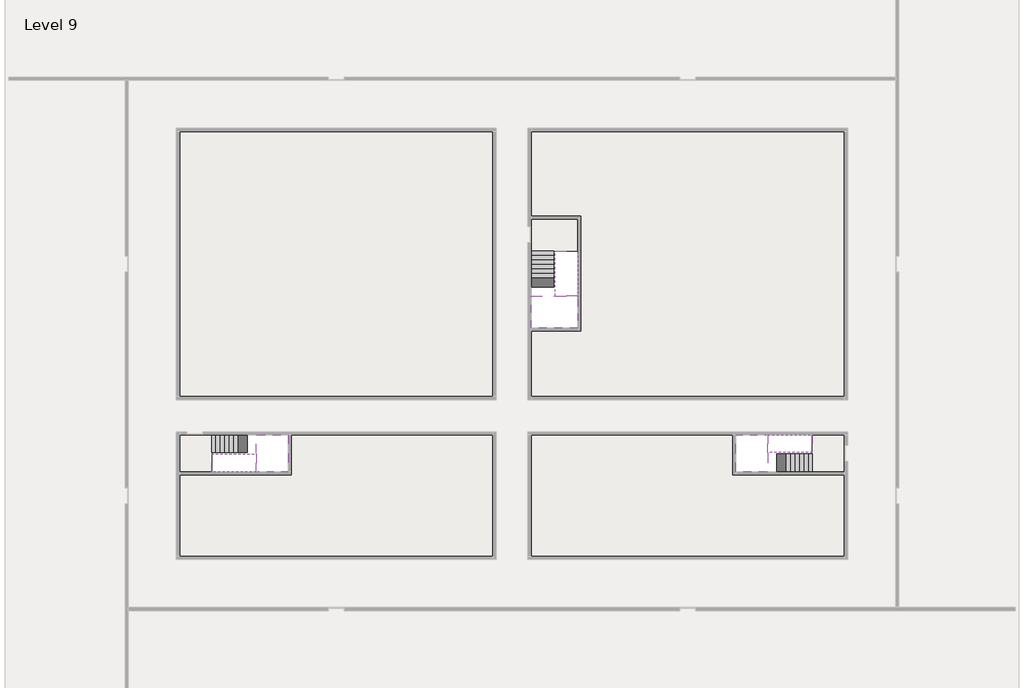
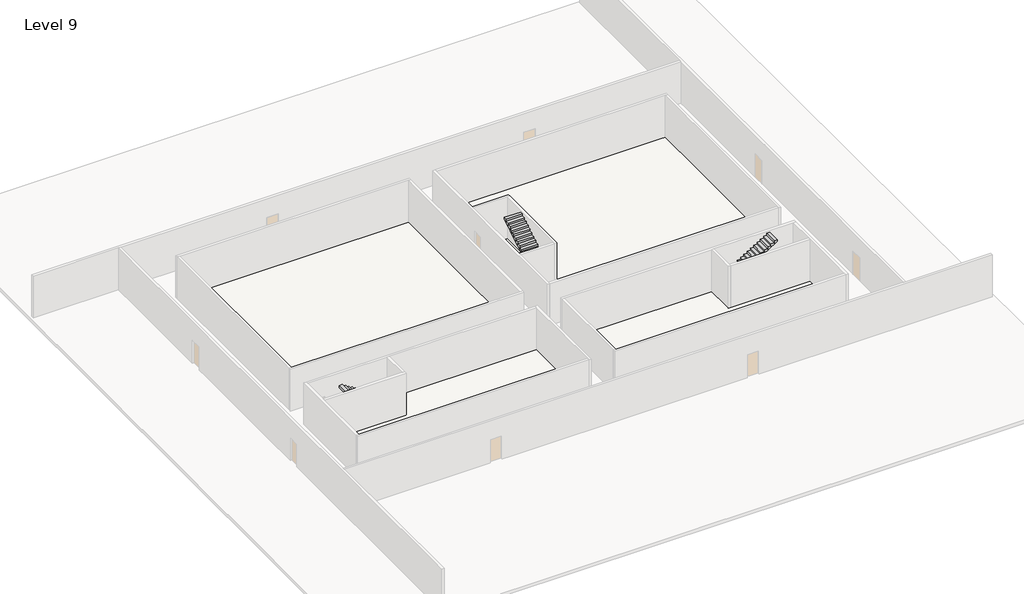
# One storey, part 2 of 2: 6 stair flights, 5 slabs.
"""IFC4 building model written with IfcOpenShell, lengths in millimetres."""

import ifcopenshell
import ifcopenshell.guid

model = None  # the IFC model being written
_history = None  # IfcOwnerHistory: only IFC2X3 demands one
_inside = {}  # id of a spatial element -> (the spatial element, [elements in it])
_under = {}  # id of a project, library or spatial element -> (it, [spatial elements below it])
_declared = {}  # id of a project -> (the project, [libraries it declares])
_typed = {}  # id of a type object -> (the type object, [elements of that type])
_made_of = {}  # id of a material, layer set ... -> (it, [elements and type objects made of it])


def new_model(schema):
    """Start an empty IFC model of exactly this schema.

    Asked for "IFC4X3", IfcOpenShell would pick the latest addendum, in which some entities
    have other attributes; the version numbers below select the first issue.
    IFC2X3 requires an IfcOwnerHistory on every rooted entity: one is made here for all.
    """
    global model, _history
    if schema == "IFC4X3":
        model = ifcopenshell.file(schema_version=(4, 3, 0, 0))
    else:
        model = ifcopenshell.file(schema=schema)
    _inside.clear()
    _under.clear()
    _declared.clear()
    _typed.clear()
    _made_of.clear()
    _history = None
    if model.schema == "IFC2X3":
        org = make("IfcOrganization", Name="unknown")
        user = make(
            "IfcPersonAndOrganization",
            ThePerson=make("IfcPerson", FamilyName="unknown"),
            TheOrganization=org,
        )
        app = make(
            "IfcApplication",
            ApplicationDeveloper=org,
            Version="unknown",
            ApplicationFullName="unknown",
            ApplicationIdentifier="unknown",
        )
        _history = make(
            "IfcOwnerHistory",
            OwningUser=user,
            OwningApplication=app,
            ChangeAction="ADDED",
            CreationDate=0,
        )
    return model


def make(cls, **values):
    """One entity of the class cls with the attributes given. An attribute that is None is left unset."""
    return model.create_entity(
        cls, **{name: value for name, value in values.items() if value is not None}
    )


def rooted(cls, **values):
    """An entity with a GlobalId (a new one), such as an element, a storey or a relation."""
    return make(cls, GlobalId=ifcopenshell.guid.new(), OwnerHistory=_history, **values)


def si_unit(unit_type, name, prefix=None):
    """IfcSIUnit, for example si_unit("LENGTHUNIT", "METRE", prefix="MILLI")."""
    return make("IfcSIUnit", UnitType=unit_type, Prefix=prefix, Name=name)


def assignment(units):
    """IfcUnitAssignment: the units of a project."""
    return None if units is None else make("IfcUnitAssignment", Units=units)


def point(xyz):
    """IfcCartesianPoint."""
    return None if xyz is None else make("IfcCartesianPoint", Coordinates=xyz)


def direction(xyz):
    """IfcDirection."""
    return None if xyz is None else make("IfcDirection", DirectionRatios=xyz)


def frame(location, z_axis=None, x_axis=None):
    """IfcAxis2Placement3D, a coordinate frame: its origin and axes. An axis left out is left unset."""
    return make(
        "IfcAxis2Placement3D",
        Location=point(location),
        Axis=direction(z_axis),
        RefDirection=direction(x_axis),
    )


def origin():
    """The frame at (0, 0, 0) with its axes left unset."""
    return frame((0.0, 0.0, 0.0))


def place(relative_to, where):
    """IfcLocalPlacement: puts the frame where relative to a parent placement (None: the world)."""
    return make(
        "IfcLocalPlacement", PlacementRelTo=relative_to, RelativePlacement=where
    )


def context(
    kind, dimensions, precision=None, world=None, true_north=None, identifier=None
):
    """IfcGeometricRepresentationContext, for example the 3D "Model" context."""
    return make(
        "IfcGeometricRepresentationContext",
        ContextIdentifier=identifier,
        ContextType=kind,
        CoordinateSpaceDimension=dimensions,
        Precision=precision,
        WorldCoordinateSystem=world,
        TrueNorth=true_north,
    )


def project(units=None, contexts=None):
    """IfcProject with its units and contexts."""
    return rooted(
        "IfcProject",
        Name="project",
        RepresentationContexts=contexts,
        UnitsInContext=assignment(units),
    )


def spatial(cls, under=None, at=None, **own):
    """A site, building, storey or space (cls), placed at a placement, below another one or the project."""
    s = rooted(cls, ObjectPlacement=at, **own)
    if under is not None:
        _under.setdefault(under.id(), (under, []))[1].append(s)
    return s


def polyline(points):
    """IfcPolyline through the points."""
    return make("IfcPolyline", Points=[point(p) for p in points])


def outline(outer, holes=None, kind="AREA"):
    """IfcArbitraryClosedProfileDef: a profile drawn as a closed curve; with holes, ...WithVoids."""
    if holes is None:
        return make("IfcArbitraryClosedProfileDef", ProfileType=kind, OuterCurve=outer)
    return make(
        "IfcArbitraryProfileDefWithVoids",
        ProfileType=kind,
        OuterCurve=outer,
        InnerCurves=holes,
    )


def extrude(swept, where, along, depth):
    """IfcExtrudedAreaSolid: the profile swept, set in the frame where, extruded along a direction by depth."""
    return make(
        "IfcExtrudedAreaSolid",
        SweptArea=swept,
        Position=where,
        ExtrudedDirection=direction(along),
        Depth=depth,
    )


def faces_of(points, faces, orient=None, outer=None):
    """IfcFace entities. A face is a list of loops; a loop is a list of indices into points, from 0.

    orient and outer hold one flag for each loop. By default every Orientation is true, the
    first loop of a face is its IfcFaceOuterBound and the others are IfcFaceBound.
    """
    made = []
    for i, loops in enumerate(faces):
        bounds = []
        for j, loop in enumerate(loops):
            is_outer = j == 0 if outer is None else outer[i][j]
            bounds.append(
                make(
                    "IfcFaceOuterBound" if is_outer else "IfcFaceBound",
                    Bound=make("IfcPolyLoop", Polygon=[points[k] for k in loop]),
                    Orientation=True if orient is None else orient[i][j],
                )
            )
        made.append(make("IfcFace", Bounds=bounds))
    return made


def faceted_brep(points, faces, orient=None, outer=None, voids=None):
    """IfcFacetedBrep: a solid bounded by flat faces; with voids (closed shells), ...WithVoids."""
    shared = [point(p) for p in points]
    hull = make("IfcClosedShell", CfsFaces=faces_of(shared, faces, orient, outer))
    if voids is None:
        return make("IfcFacetedBrep", Outer=hull)
    return make(
        "IfcFacetedBrepWithVoids",
        Outer=hull,
        Voids=[
            make(cls, CfsFaces=faces_of(shared, fs, o, b)) for cls, fs, o, b in voids
        ],
    )


def shape(context_of_items, identifier, shape_type, items):
    """IfcShapeRepresentation: the items that make up one representation, for example the "Body"."""
    return make(
        "IfcShapeRepresentation",
        ContextOfItems=context_of_items,
        RepresentationIdentifier=identifier,
        RepresentationType=shape_type,
        Items=items,
    )


def made_of(thing, what):
    """Note that an element or type object is made of a material, layer set ...; save() writes the relation."""
    if what is not None:
        _made_of.setdefault(what.id(), (what, []))[1].append(thing)
    return thing


def element(
    cls,
    number,
    at=None,
    inside=None,
    cuts=None,
    type_object=None,
    material=None,
    context=None,
    identifier="Body",
    shape_type=None,
    held_by="IfcProductDefinitionShape",
    body=None,
    shapes=None,
    **own,
):
    """One element of the class cls, such as IfcWall. Its Tag is "e" and its number.

    at: its placement. inside: the storey or other place that contains it. cuts: it is an
    opening in that element (IfcRelVoidsElement). A single representation is given by context,
    identifier, shape_type and body (its items); several are given by shapes. held_by: the class
    of the entity that holds the representations. save() writes the other relations.
    """
    e = rooted(cls, Tag="e%d" % number, ObjectPlacement=at, **own)
    if body is not None:
        shapes = [shape(context, identifier, shape_type, body)]
    if shapes is not None:
        e.Representation = make(held_by, Representations=shapes)
    if inside is not None:
        _inside.setdefault(inside.id(), (inside, []))[1].append(e)
    if cuts is not None:
        rooted(
            "IfcRelVoidsElement", RelatingBuildingElement=cuts, RelatedOpeningElement=e
        )
    if type_object is not None:
        _typed.setdefault(type_object.id(), (type_object, []))[1].append(e)
    return made_of(e, material)


def aggregate(whole, parts):
    """IfcRelAggregates: a whole, such as a stair, and the parts it consists of."""
    return rooted("IfcRelAggregates", RelatingObject=whole, RelatedObjects=parts)


def save(model, path):
    """Write the relations noted so far, then the file.

    IfcRelAggregates (storeys below a building ...), IfcRelContainedInSpatialStructure (elements
    in a storey), IfcRelDefinesByType, IfcRelAssociatesMaterial and IfcRelDeclares: one each for
    every whole, place, type object, material and project.
    """
    for whole, parts in _under.values():
        aggregate(whole, parts)
    for where, things in _inside.values():
        rooted(
            "IfcRelContainedInSpatialStructure",
            RelatedElements=things,
            RelatingStructure=where,
        )
    for kind, things in _typed.values():
        rooted("IfcRelDefinesByType", RelatedObjects=things, RelatingType=kind)
    for what, things in _made_of.values():
        rooted("IfcRelAssociatesMaterial", RelatedObjects=things, RelatingMaterial=what)
    for by, libraries in _declared.values():
        rooted("IfcRelDeclares", RelatingContext=by, RelatedDefinitions=libraries)
    model.write(path)


model = new_model("IFC4")

# Units and contexts
model_context = context("Model", 3, world=origin())
ifc_project = project(units=[si_unit("LENGTHUNIT", "METRE", prefix="MILLI")], contexts=[model_context])

# Site, building, storey
site = spatial("IfcSite", under=ifc_project)
building = spatial("IfcBuilding", under=site)
storey = spatial("IfcBuildingStorey", under=building, Name="Level 9", Elevation=30400.0)

# Slabs
placement = place(None, origin())
element("IfcSlab", 1, at=placement, inside=storey, context=model_context, shape_type="Brep", body=[
    faceted_brep([(8190.1058784, -42918.09644, 32300.0), (8190.1058784, -44018.09644, 32300.0), (8190.1058784, -44118.09644, 32300.0), (8190.1058784, -45218.09644, 32300.0), (8390.7194421, -45218.09644, 32300.0), (10190.1058784, -45218.09644, 32300.0), (10190.1058784, -42918.09644, 32300.0), (8269.4923146, -42918.09644, 32300.0), (8190.1058784, -42918.09644, 32127.2727273), (8190.1058784, -42918.09644, 31951.0278478), (8190.1058784, -44018.09644, 31951.0278478), (8190.1058784, -44018.09644, 32000.0), (8190.1058784, -44118.09644, 32000.0), (8190.1058784, -44118.09644, 32123.7551205), (8190.1058784, -45218.09644, 32123.7551205), (8390.7194421, -45218.09644, 32000.0), (10190.1058784, -45218.09644, 32000.0), (10190.1058784, -42918.09644, 32000.0), (8269.4923146, -42918.09644, 32000.0), (8390.7194421, -44118.09644, 32000.0), (8269.4923146, -44018.09644, 32000.0)], [[[0, 1, 2, 3, 4, 5, 6, 7]], [[1, 0, 8, 9, 10, 11]], [[2, 1, 11, 12, 13]], [[3, 2, 13, 14]], [[3, 14, 15, 16, 5, 4]], [[6, 5, 16, 17]], [[9, 8, 0, 7, 6, 17, 18]], [[19, 12, 11, 20, 18, 17, 16, 15]], [[12, 19, 13]], [[18, 20, 10, 9]], [[20, 11, 10]], [[19, 15, 14, 13]]]),
])
element("IfcSlab", 2, at=placement, inside=storey, context=model_context, shape_type="Brep", body=[
    faceted_brep([(40190.1058784, -45218.09644, 32300.0), (40190.1058784, -44118.09644, 32300.0), (40190.1058784, -44018.09644, 32300.0), (40190.1058784, -42918.09644, 32300.0), (39989.4923146, -42918.09644, 32300.0), (38190.1058784, -42918.09644, 32300.0), (38190.1058784, -45218.09644, 32300.0), (40110.7194421, -45218.09644, 32300.0), (40190.1058784, -45218.09644, 32127.2727273), (40190.1058784, -45218.09644, 31951.0278478), (40190.1058784, -44118.09644, 31951.0278478), (40190.1058784, -44118.09644, 32000.0), (40190.1058784, -44018.09644, 32000.0), (40190.1058784, -44018.09644, 32123.7551205), (40190.1058784, -42918.09644, 32123.7551205), (39989.4923146, -42918.09644, 32000.0), (38190.1058784, -42918.09644, 32000.0), (38190.1058784, -45218.09644, 32000.0), (40110.7194421, -45218.09644, 32000.0), (39989.4923146, -44018.09644, 32000.0), (40110.7194421, -44118.09644, 32000.0)], [[[0, 1, 2, 3, 4, 5, 6, 7]], [[1, 0, 8, 9, 10, 11]], [[2, 1, 11, 12, 13]], [[3, 2, 13, 14]], [[3, 14, 15, 16, 5, 4]], [[6, 5, 16, 17]], [[9, 8, 0, 7, 6, 17, 18]], [[19, 12, 11, 20, 18, 17, 16, 15]], [[12, 19, 13]], [[18, 20, 10, 9]], [[20, 11, 10]], [[19, 15, 14, 13]]]),
])
element("IfcSlab", 3, at=placement, inside=storey, context=model_context, shape_type="Brep", body=[
    faceted_brep([(26790.1058784, -34218.09644, 32300.0), (25390.1058784, -34218.09644, 32300.0), (25390.1058784, -34297.4828763, 32300.0), (25390.1058784, -36218.09644, 32300.0), (28290.1058784, -36218.09644, 32300.0), (28290.1058784, -34418.7100038, 32300.0), (28290.1058784, -34218.09644, 32300.0), (26890.1058784, -34218.09644, 32300.0), (26790.1058784, -34218.09644, 32000.0), (26790.1058784, -34218.09644, 31951.0278478), (25390.1058784, -34218.09644, 31951.0278478), (25390.1058784, -34218.09644, 32127.2727273), (25390.1058784, -34297.4828763, 32000.0), (25390.1058784, -36218.09644, 32000.0), (28290.1058784, -36218.09644, 32000.0), (28290.1058784, -34418.7100038, 32000.0), (28290.1058784, -34218.09644, 32123.7551205), (26890.1058784, -34218.09644, 32123.7551205), (26890.1058784, -34218.09644, 32000.0), (26890.1058784, -34418.7100038, 32000.0), (26790.1058784, -34297.4828763, 32000.0)], [[[0, 1, 2, 3, 4, 5, 6, 7]], [[1, 0, 8, 9, 10, 11]], [[1, 11, 10, 12, 13, 3, 2]], [[4, 3, 13, 14]], [[4, 14, 15, 16, 6, 5]], [[7, 6, 16, 17]], [[0, 7, 17, 18, 8]], [[18, 19, 15, 14, 13, 12, 20, 8]], [[19, 18, 17]], [[20, 12, 10, 9]], [[8, 20, 9]], [[15, 19, 17, 16]]]),
])
element("IfcSlab", 4, at=placement, inside=storey, context=model_context, shape_type="SweptSolid", body=[
    extrude(outline(polyline([(22990.1058784, -23918.09644), (22990.1058784, -40518.09644), (3390.1058784, -40518.09644), (3390.1058784, -23918.09644), (22990.1058784, -23918.09644)])), frame((0.0, 0.0, 30100.0), z_axis=(0.0, 0.0, 1.0), x_axis=(1.0, 0.0, 0.0)), (0.0, 0.0, 1.0), 300.0),
    extrude(outline(polyline([(44990.1058784, -23918.09644), (44990.1058784, -40518.09644), (25390.1058784, -40518.09644), (25390.1058784, -36418.09644), (28490.1058784, -36418.09644), (28490.1058784, -29218.09644), (25390.1058784, -29218.09644), (25390.1058784, -23918.09644), (44990.1058784, -23918.09644)])), frame((0.0, 0.0, 30100.0), z_axis=(0.0, 0.0, 1.0), x_axis=(1.0, 0.0, 0.0)), (0.0, 0.0, 1.0), 300.0),
    extrude(outline(polyline([(22990.1058784, -42918.09644), (22990.1058784, -50518.09644), (3390.1058784, -50518.09644), (3390.1058784, -45418.09644), (10390.1058784, -45418.09644), (10390.1058784, -42918.09644), (22990.1058784, -42918.09644)])), frame((0.0, 0.0, 30100.0), z_axis=(0.0, 0.0, 1.0), x_axis=(1.0, 0.0, 0.0)), (0.0, 0.0, 1.0), 300.0),
    extrude(outline(polyline([(37990.1058784, -42918.09644), (37990.1058784, -45418.09644), (44990.1058784, -45418.09644), (44990.1058784, -50518.09644), (25390.1058784, -50518.09644), (25390.1058784, -42918.09644), (37990.1058784, -42918.09644)])), frame((0.0, 0.0, 30100.0), z_axis=(0.0, 0.0, 1.0), x_axis=(1.0, 0.0, 0.0)), (0.0, 0.0, 1.0), 300.0),
])
element("IfcSlab", 5, at=placement, inside=storey, context=model_context, shape_type="SweptSolid", body=[
    extrude(outline(polyline([(44990.1058784, -42918.09644), (44990.1058784, -45218.09644), (42990.1058784, -45218.09644), (42990.1058784, -42918.09644), (44990.1058784, -42918.09644)])), frame((0.0, 0.0, 30100.0), z_axis=(0.0, 0.0, 1.0), x_axis=(1.0, 0.0, 0.0)), (0.0, 0.0, 1.0), 300.0),
    extrude(outline(polyline([(5390.1058784, -42918.09644), (5390.1058784, -45218.09644), (3390.1058784, -45218.09644), (3390.1058784, -42918.09644), (5390.1058784, -42918.09644)])), frame((0.0, 0.0, 30100.0), z_axis=(0.0, 0.0, 1.0), x_axis=(1.0, 0.0, 0.0)), (0.0, 0.0, 1.0), 300.0),
    extrude(outline(polyline([(28290.1058784, -29418.09644), (28290.1058784, -31418.09644), (25390.1058784, -31418.09644), (25390.1058784, -29418.09644), (28290.1058784, -29418.09644)])), frame((0.0, 0.0, 30100.0), z_axis=(0.0, 0.0, 1.0), x_axis=(1.0, 0.0, 0.0)), (0.0, 0.0, 1.0), 300.0),
])

# Stair flights
element("IfcStairFlight", 6, at=placement, inside=storey, context=model_context, shape_type="Brep", body=[
    faceted_brep([(5670.1058784, -42918.09644, 30572.7272727), (5390.1058784, -42918.09644, 30572.7272727), (5390.1058784, -44018.09644, 30572.7272727), (5670.1058784, -44018.09644, 30572.7272727), (5670.1058784, -42918.09644, 30400.0), (5390.1058784, -42918.09644, 30400.0), (5390.1058784, -44018.09644, 30400.0), (5670.1058784, -44018.09644, 30400.0), (5950.1058784, -42918.09644, 30745.4545455), (5670.1058784, -42918.09644, 30745.4545455), (5670.1058784, -44018.09644, 30745.4545455), (5950.1058784, -44018.09644, 30745.4545455), (5950.1058784, -42918.09644, 30569.209666), (5675.8081041, -42918.09644, 30400.0), (5675.8081041, -44018.09644, 30400.0), (5950.1058784, -44018.09644, 30569.209666), (6230.1058784, -42918.09644, 30918.1818182), (5950.1058784, -42918.09644, 30918.1818182), (5950.1058784, -44018.09644, 30918.1818182), (6230.1058784, -44018.09644, 30918.1818182), (6230.1058784, -42918.09644, 30741.9369387), (6230.1058784, -44018.09644, 30741.9369387), (6510.1058784, -42918.09644, 31090.9090909), (6230.1058784, -42918.09644, 31090.9090909), (6230.1058784, -44018.09644, 31090.9090909), (6510.1058784, -44018.09644, 31090.9090909), (6510.1058784, -42918.09644, 30914.6642114), (6510.1058784, -44018.09644, 30914.6642114), (6790.1058784, -42918.09644, 31263.6363636), (6510.1058784, -42918.09644, 31263.6363636), (6510.1058784, -44018.09644, 31263.6363636), (6790.1058784, -44018.09644, 31263.6363636), (6790.1058784, -42918.09644, 31087.3914841), (6790.1058784, -44018.09644, 31087.3914841), (7070.1058784, -42918.09644, 31436.3636364), (6790.1058784, -42918.09644, 31436.3636364), (6790.1058784, -44018.09644, 31436.3636364), (7070.1058784, -44018.09644, 31436.3636364), (7070.1058784, -42918.09644, 31260.1187569), (7070.1058784, -44018.09644, 31260.1187569), (7350.1058784, -42918.09644, 31609.0909091), (7070.1058784, -42918.09644, 31609.0909091), (7070.1058784, -44018.09644, 31609.0909091), (7350.1058784, -44018.09644, 31609.0909091), (7350.1058784, -42918.09644, 31432.8460296), (7350.1058784, -44018.09644, 31432.8460296), (7630.1058784, -42918.09644, 31781.8181818), (7350.1058784, -42918.09644, 31781.8181818), (7350.1058784, -44018.09644, 31781.8181818), (7630.1058784, -44018.09644, 31781.8181818), (7630.1058784, -42918.09644, 31605.5733023), (7630.1058784, -44018.09644, 31605.5733023), (7910.1058784, -42918.09644, 31954.5454545), (7630.1058784, -42918.09644, 31954.5454545), (7630.1058784, -44018.09644, 31954.5454545), (7910.1058784, -44018.09644, 31954.5454545), (7910.1058784, -42918.09644, 31778.3005751), (7910.1058784, -44018.09644, 31778.3005751), (8190.1058784, -42918.09644, 32127.2727273), (7910.1058784, -42918.09644, 32127.2727273), (7910.1058784, -44018.09644, 32127.2727273), (8190.1058784, -44018.09644, 32127.2727273), (8190.1058784, -42918.09644, 31951.0278478), (8190.1058784, -44018.09644, 31951.0278478), (8190.1058784, -44018.09644, 32000.0)], [[[0, 1, 2, 3]], [[1, 0, 4, 5]], [[2, 1, 5, 6]], [[3, 2, 6, 7]], [[8, 9, 10, 11]], [[4, 0, 9, 8, 12, 13]], [[0, 3, 10, 9]], [[3, 7, 14, 15, 11, 10]], [[16, 17, 18, 19]], [[17, 16, 20, 12, 8]], [[8, 11, 18, 17]], [[19, 18, 11, 15, 21]], [[22, 23, 24, 25]], [[23, 22, 26, 20, 16]], [[16, 19, 24, 23]], [[25, 24, 19, 21, 27]], [[28, 29, 30, 31]], [[29, 28, 32, 26, 22]], [[22, 25, 30, 29]], [[31, 30, 25, 27, 33]], [[34, 35, 36, 37]], [[35, 34, 38, 32, 28]], [[28, 31, 36, 35]], [[37, 36, 31, 33, 39]], [[40, 41, 42, 43]], [[41, 40, 44, 38, 34]], [[34, 37, 42, 41]], [[43, 42, 37, 39, 45]], [[46, 47, 48, 49]], [[47, 46, 50, 44, 40]], [[40, 43, 48, 47]], [[49, 48, 43, 45, 51]], [[52, 53, 54, 55]], [[53, 52, 56, 50, 46]], [[46, 49, 54, 53]], [[55, 54, 49, 51, 57]], [[58, 59, 60, 61]], [[59, 58, 62, 56, 52]], [[52, 55, 60, 59]], [[61, 60, 55, 57, 63, 64]], [[58, 61, 64, 63, 62]], [[5, 4, 13, 14, 7, 6]], [[14, 13, 12, 20, 26, 32, 38, 44, 50, 56, 62, 63, 57, 51, 45, 39, 33, 27, 21, 15]]]),
])
element("IfcStairFlight", 7, at=placement, inside=storey, context=model_context, shape_type="Brep", body=[
    faceted_brep([(7910.1058784, -45218.09644, 32472.7272727), (8190.1058784, -45218.09644, 32472.7272727), (8190.1058784, -44118.09644, 32472.7272727), (7910.1058784, -44118.09644, 32472.7272727), (7910.1058784, -45218.09644, 32296.4823932), (8190.1058784, -45218.09644, 32123.7551205), (8190.1058784, -45218.09644, 32300.0), (8190.1058784, -44118.09644, 32123.7551205), (7910.1058784, -44118.09644, 32296.4823932), (7630.1058784, -45218.09644, 32645.4545455), (7910.1058784, -45218.09644, 32645.4545455), (7910.1058784, -44118.09644, 32645.4545455), (7630.1058784, -44118.09644, 32645.4545455), (7630.1058784, -45218.09644, 32469.209666), (7630.1058784, -44118.09644, 32469.209666), (7350.1058784, -45218.09644, 32818.1818182), (7630.1058784, -45218.09644, 32818.1818182), (7630.1058784, -44118.09644, 32818.1818182), (7350.1058784, -44118.09644, 32818.1818182), (7350.1058784, -45218.09644, 32641.9369387), (7350.1058784, -44118.09644, 32641.9369387), (7070.1058784, -45218.09644, 32990.9090909), (7350.1058784, -45218.09644, 32990.9090909), (7350.1058784, -44118.09644, 32990.9090909), (7070.1058784, -44118.09644, 32990.9090909), (7070.1058784, -45218.09644, 32814.6642114), (7070.1058784, -44118.09644, 32814.6642114), (6790.1058784, -45218.09644, 33163.6363636), (7070.1058784, -45218.09644, 33163.6363636), (7070.1058784, -44118.09644, 33163.6363636), (6790.1058784, -44118.09644, 33163.6363636), (6790.1058784, -45218.09644, 32987.3914841), (6790.1058784, -44118.09644, 32987.3914841), (6510.1058784, -45218.09644, 33336.3636364), (6790.1058784, -45218.09644, 33336.3636364), (6790.1058784, -44118.09644, 33336.3636364), (6510.1058784, -44118.09644, 33336.3636364), (6510.1058784, -45218.09644, 33160.1187569), (6510.1058784, -44118.09644, 33160.1187569), (6230.1058784, -45218.09644, 33509.0909091), (6510.1058784, -45218.09644, 33509.0909091), (6510.1058784, -44118.09644, 33509.0909091), (6230.1058784, -44118.09644, 33509.0909091), (6230.1058784, -45218.09644, 33332.8460296), (6230.1058784, -44118.09644, 33332.8460296), (5950.1058784, -45218.09644, 33681.8181818), (6230.1058784, -45218.09644, 33681.8181818), (6230.1058784, -44118.09644, 33681.8181818), (5950.1058784, -44118.09644, 33681.8181818), (5950.1058784, -45218.09644, 33505.5733023), (5950.1058784, -44118.09644, 33505.5733023), (5670.1058784, -45218.09644, 33854.5454545), (5950.1058784, -45218.09644, 33854.5454545), (5950.1058784, -44118.09644, 33854.5454545), (5670.1058784, -44118.09644, 33854.5454545), (5670.1058784, -45218.09644, 33678.3005751), (5670.1058784, -44118.09644, 33678.3005751), (5390.1058784, -45218.09644, 34027.2727273), (5670.1058784, -45218.09644, 34027.2727273), (5670.1058784, -44118.09644, 34027.2727273), (5390.1058784, -44118.09644, 34027.2727273), (5390.1058784, -45218.09644, 33851.0278478), (5390.1058784, -44118.09644, 33851.0278478)], [[[0, 1, 2, 3]], [[1, 0, 4, 5, 6]], [[2, 1, 6, 5, 7]], [[3, 2, 7, 8]], [[9, 10, 11, 12]], [[10, 9, 13, 4, 0]], [[11, 10, 0, 3]], [[12, 11, 3, 8, 14]], [[15, 16, 17, 18]], [[16, 15, 19, 13, 9]], [[17, 16, 9, 12]], [[18, 17, 12, 14, 20]], [[21, 22, 23, 24]], [[22, 21, 25, 19, 15]], [[23, 22, 15, 18]], [[24, 23, 18, 20, 26]], [[27, 28, 29, 30]], [[28, 27, 31, 25, 21]], [[29, 28, 21, 24]], [[30, 29, 24, 26, 32]], [[33, 34, 35, 36]], [[34, 33, 37, 31, 27]], [[35, 34, 27, 30]], [[36, 35, 30, 32, 38]], [[39, 40, 41, 42]], [[40, 39, 43, 37, 33]], [[41, 40, 33, 36]], [[42, 41, 36, 38, 44]], [[45, 46, 47, 48]], [[46, 45, 49, 43, 39]], [[47, 46, 39, 42]], [[48, 47, 42, 44, 50]], [[51, 52, 53, 54]], [[52, 51, 55, 49, 45]], [[53, 52, 45, 48]], [[54, 53, 48, 50, 56]], [[57, 58, 59, 60]], [[58, 57, 61, 55, 51]], [[59, 58, 51, 54]], [[60, 59, 54, 56, 62]], [[57, 60, 62, 61]], [[5, 4, 13, 19, 25, 31, 37, 43, 49, 55, 61, 62, 56, 50, 44, 38, 32, 26, 20, 14, 8, 7]]]),
])
element("IfcStairFlight", 8, at=placement, inside=storey, context=model_context, shape_type="Brep", body=[
    faceted_brep([(42710.1058784, -45218.09644, 30572.7272727), (42990.1058784, -45218.09644, 30572.7272727), (42990.1058784, -44118.09644, 30572.7272727), (42710.1058784, -44118.09644, 30572.7272727), (42710.1058784, -45218.09644, 30400.0), (42990.1058784, -45218.09644, 30400.0), (42990.1058784, -44118.09644, 30400.0), (42710.1058784, -44118.09644, 30400.0), (42430.1058784, -45218.09644, 30745.4545455), (42710.1058784, -45218.09644, 30745.4545455), (42710.1058784, -44118.09644, 30745.4545455), (42430.1058784, -44118.09644, 30745.4545455), (42430.1058784, -45218.09644, 30569.209666), (42704.4036527, -45218.09644, 30400.0), (42704.4036527, -44118.09644, 30400.0), (42430.1058784, -44118.09644, 30569.209666), (42150.1058784, -45218.09644, 30918.1818182), (42430.1058784, -45218.09644, 30918.1818182), (42430.1058784, -44118.09644, 30918.1818182), (42150.1058784, -44118.09644, 30918.1818182), (42150.1058784, -45218.09644, 30741.9369387), (42150.1058784, -44118.09644, 30741.9369387), (41870.1058784, -45218.09644, 31090.9090909), (42150.1058784, -45218.09644, 31090.9090909), (42150.1058784, -44118.09644, 31090.9090909), (41870.1058784, -44118.09644, 31090.9090909), (41870.1058784, -45218.09644, 30914.6642114), (41870.1058784, -44118.09644, 30914.6642114), (41590.1058784, -45218.09644, 31263.6363636), (41870.1058784, -45218.09644, 31263.6363636), (41870.1058784, -44118.09644, 31263.6363636), (41590.1058784, -44118.09644, 31263.6363636), (41590.1058784, -45218.09644, 31087.3914841), (41590.1058784, -44118.09644, 31087.3914841), (41310.1058784, -45218.09644, 31436.3636364), (41590.1058784, -45218.09644, 31436.3636364), (41590.1058784, -44118.09644, 31436.3636364), (41310.1058784, -44118.09644, 31436.3636364), (41310.1058784, -45218.09644, 31260.1187569), (41310.1058784, -44118.09644, 31260.1187569), (41030.1058784, -45218.09644, 31609.0909091), (41310.1058784, -45218.09644, 31609.0909091), (41310.1058784, -44118.09644, 31609.0909091), (41030.1058784, -44118.09644, 31609.0909091), (41030.1058784, -45218.09644, 31432.8460296), (41030.1058784, -44118.09644, 31432.8460296), (40750.1058784, -45218.09644, 31781.8181818), (41030.1058784, -45218.09644, 31781.8181818), (41030.1058784, -44118.09644, 31781.8181818), (40750.1058784, -44118.09644, 31781.8181818), (40750.1058784, -45218.09644, 31605.5733023), (40750.1058784, -44118.09644, 31605.5733023), (40470.1058784, -45218.09644, 31954.5454545), (40750.1058784, -45218.09644, 31954.5454545), (40750.1058784, -44118.09644, 31954.5454545), (40470.1058784, -44118.09644, 31954.5454545), (40470.1058784, -45218.09644, 31778.3005751), (40470.1058784, -44118.09644, 31778.3005751), (40190.1058784, -45218.09644, 32127.2727273), (40470.1058784, -45218.09644, 32127.2727273), (40470.1058784, -44118.09644, 32127.2727273), (40190.1058784, -44118.09644, 32127.2727273), (40190.1058784, -45218.09644, 31951.0278478), (40190.1058784, -44118.09644, 31951.0278478), (40190.1058784, -44118.09644, 32000.0)], [[[0, 1, 2, 3]], [[1, 0, 4, 5]], [[2, 1, 5, 6]], [[3, 2, 6, 7]], [[8, 9, 10, 11]], [[4, 0, 9, 8, 12, 13]], [[0, 3, 10, 9]], [[3, 7, 14, 15, 11, 10]], [[16, 17, 18, 19]], [[17, 16, 20, 12, 8]], [[8, 11, 18, 17]], [[19, 18, 11, 15, 21]], [[22, 23, 24, 25]], [[23, 22, 26, 20, 16]], [[16, 19, 24, 23]], [[25, 24, 19, 21, 27]], [[28, 29, 30, 31]], [[29, 28, 32, 26, 22]], [[22, 25, 30, 29]], [[31, 30, 25, 27, 33]], [[34, 35, 36, 37]], [[35, 34, 38, 32, 28]], [[28, 31, 36, 35]], [[37, 36, 31, 33, 39]], [[40, 41, 42, 43]], [[41, 40, 44, 38, 34]], [[34, 37, 42, 41]], [[43, 42, 37, 39, 45]], [[46, 47, 48, 49]], [[47, 46, 50, 44, 40]], [[40, 43, 48, 47]], [[49, 48, 43, 45, 51]], [[52, 53, 54, 55]], [[53, 52, 56, 50, 46]], [[46, 49, 54, 53]], [[55, 54, 49, 51, 57]], [[58, 59, 60, 61]], [[59, 58, 62, 56, 52]], [[52, 55, 60, 59]], [[61, 60, 55, 57, 63, 64]], [[58, 61, 64, 63, 62]], [[5, 4, 13, 14, 7, 6]], [[14, 13, 12, 20, 26, 32, 38, 44, 50, 56, 62, 63, 57, 51, 45, 39, 33, 27, 21, 15]]]),
])
element("IfcStairFlight", 9, at=placement, inside=storey, context=model_context, shape_type="Brep", body=[
    faceted_brep([(40470.1058784, -42918.09644, 32472.7272727), (40190.1058784, -42918.09644, 32472.7272727), (40190.1058784, -44018.09644, 32472.7272727), (40470.1058784, -44018.09644, 32472.7272727), (40470.1058784, -42918.09644, 32296.4823932), (40190.1058784, -42918.09644, 32123.7551205), (40190.1058784, -42918.09644, 32300.0), (40190.1058784, -44018.09644, 32123.7551205), (40470.1058784, -44018.09644, 32296.4823932), (40750.1058784, -42918.09644, 32645.4545455), (40470.1058784, -42918.09644, 32645.4545455), (40470.1058784, -44018.09644, 32645.4545455), (40750.1058784, -44018.09644, 32645.4545455), (40750.1058784, -42918.09644, 32469.209666), (40750.1058784, -44018.09644, 32469.209666), (41030.1058784, -42918.09644, 32818.1818182), (40750.1058784, -42918.09644, 32818.1818182), (40750.1058784, -44018.09644, 32818.1818182), (41030.1058784, -44018.09644, 32818.1818182), (41030.1058784, -42918.09644, 32641.9369387), (41030.1058784, -44018.09644, 32641.9369387), (41310.1058784, -42918.09644, 32990.9090909), (41030.1058784, -42918.09644, 32990.9090909), (41030.1058784, -44018.09644, 32990.9090909), (41310.1058784, -44018.09644, 32990.9090909), (41310.1058784, -42918.09644, 32814.6642114), (41310.1058784, -44018.09644, 32814.6642114), (41590.1058784, -42918.09644, 33163.6363636), (41310.1058784, -42918.09644, 33163.6363636), (41310.1058784, -44018.09644, 33163.6363636), (41590.1058784, -44018.09644, 33163.6363636), (41590.1058784, -42918.09644, 32987.3914841), (41590.1058784, -44018.09644, 32987.3914841), (41870.1058784, -42918.09644, 33336.3636364), (41590.1058784, -42918.09644, 33336.3636364), (41590.1058784, -44018.09644, 33336.3636364), (41870.1058784, -44018.09644, 33336.3636364), (41870.1058784, -42918.09644, 33160.1187569), (41870.1058784, -44018.09644, 33160.1187569), (42150.1058784, -42918.09644, 33509.0909091), (41870.1058784, -42918.09644, 33509.0909091), (41870.1058784, -44018.09644, 33509.0909091), (42150.1058784, -44018.09644, 33509.0909091), (42150.1058784, -42918.09644, 33332.8460296), (42150.1058784, -44018.09644, 33332.8460296), (42430.1058784, -42918.09644, 33681.8181818), (42150.1058784, -42918.09644, 33681.8181818), (42150.1058784, -44018.09644, 33681.8181818), (42430.1058784, -44018.09644, 33681.8181818), (42430.1058784, -42918.09644, 33505.5733023), (42430.1058784, -44018.09644, 33505.5733023), (42710.1058784, -42918.09644, 33854.5454545), (42430.1058784, -42918.09644, 33854.5454545), (42430.1058784, -44018.09644, 33854.5454545), (42710.1058784, -44018.09644, 33854.5454545), (42710.1058784, -42918.09644, 33678.3005751), (42710.1058784, -44018.09644, 33678.3005751), (42990.1058784, -42918.09644, 34027.2727273), (42710.1058784, -42918.09644, 34027.2727273), (42710.1058784, -44018.09644, 34027.2727273), (42990.1058784, -44018.09644, 34027.2727273), (42990.1058784, -42918.09644, 33851.0278478), (42990.1058784, -44018.09644, 33851.0278478)], [[[0, 1, 2, 3]], [[1, 0, 4, 5, 6]], [[2, 1, 6, 5, 7]], [[3, 2, 7, 8]], [[9, 10, 11, 12]], [[10, 9, 13, 4, 0]], [[11, 10, 0, 3]], [[12, 11, 3, 8, 14]], [[15, 16, 17, 18]], [[16, 15, 19, 13, 9]], [[17, 16, 9, 12]], [[18, 17, 12, 14, 20]], [[21, 22, 23, 24]], [[22, 21, 25, 19, 15]], [[23, 22, 15, 18]], [[24, 23, 18, 20, 26]], [[27, 28, 29, 30]], [[28, 27, 31, 25, 21]], [[29, 28, 21, 24]], [[30, 29, 24, 26, 32]], [[33, 34, 35, 36]], [[34, 33, 37, 31, 27]], [[35, 34, 27, 30]], [[36, 35, 30, 32, 38]], [[39, 40, 41, 42]], [[40, 39, 43, 37, 33]], [[41, 40, 33, 36]], [[42, 41, 36, 38, 44]], [[45, 46, 47, 48]], [[46, 45, 49, 43, 39]], [[47, 46, 39, 42]], [[48, 47, 42, 44, 50]], [[51, 52, 53, 54]], [[52, 51, 55, 49, 45]], [[53, 52, 45, 48]], [[54, 53, 48, 50, 56]], [[57, 58, 59, 60]], [[58, 57, 61, 55, 51]], [[59, 58, 51, 54]], [[60, 59, 54, 56, 62]], [[57, 60, 62, 61]], [[5, 4, 13, 19, 25, 31, 37, 43, 49, 55, 61, 62, 56, 50, 44, 38, 32, 26, 20, 14, 8, 7]]]),
])
element("IfcStairFlight", 10, at=placement, inside=storey, context=model_context, shape_type="Brep", body=[
    faceted_brep([(26790.1058784, -31698.09644, 30572.7272727), (26790.1058784, -31418.09644, 30572.7272727), (25390.1058784, -31418.09644, 30572.7272727), (25390.1058784, -31698.09644, 30572.7272727), (26790.1058784, -31698.09644, 30400.0), (26790.1058784, -31418.09644, 30400.0), (25390.1058784, -31418.09644, 30400.0), (25390.1058784, -31698.09644, 30400.0), (26790.1058784, -31978.09644, 30745.4545455), (26790.1058784, -31698.09644, 30745.4545455), (25390.1058784, -31698.09644, 30745.4545455), (25390.1058784, -31978.09644, 30745.4545455), (26790.1058784, -31978.09644, 30569.209666), (26790.1058784, -31703.7986657, 30400.0), (25390.1058784, -31703.7986657, 30400.0), (25390.1058784, -31978.09644, 30569.209666), (26790.1058784, -32258.09644, 30918.1818182), (26790.1058784, -31978.09644, 30918.1818182), (25390.1058784, -31978.09644, 30918.1818182), (25390.1058784, -32258.09644, 30918.1818182), (26790.1058784, -32258.09644, 30741.9369387), (25390.1058784, -32258.09644, 30741.9369387), (26790.1058784, -32538.09644, 31090.9090909), (26790.1058784, -32258.09644, 31090.9090909), (25390.1058784, -32258.09644, 31090.9090909), (25390.1058784, -32538.09644, 31090.9090909), (26790.1058784, -32538.09644, 30914.6642114), (25390.1058784, -32538.09644, 30914.6642114), (26790.1058784, -32818.09644, 31263.6363636), (26790.1058784, -32538.09644, 31263.6363636), (25390.1058784, -32538.09644, 31263.6363636), (25390.1058784, -32818.09644, 31263.6363636), (26790.1058784, -32818.09644, 31087.3914841), (25390.1058784, -32818.09644, 31087.3914841), (26790.1058784, -33098.09644, 31436.3636364), (26790.1058784, -32818.09644, 31436.3636364), (25390.1058784, -32818.09644, 31436.3636364), (25390.1058784, -33098.09644, 31436.3636364), (26790.1058784, -33098.09644, 31260.1187569), (25390.1058784, -33098.09644, 31260.1187569), (26790.1058784, -33378.09644, 31609.0909091), (26790.1058784, -33098.09644, 31609.0909091), (25390.1058784, -33098.09644, 31609.0909091), (25390.1058784, -33378.09644, 31609.0909091), (26790.1058784, -33378.09644, 31432.8460296), (25390.1058784, -33378.09644, 31432.8460296), (26790.1058784, -33658.09644, 31781.8181818), (26790.1058784, -33378.09644, 31781.8181818), (25390.1058784, -33378.09644, 31781.8181818), (25390.1058784, -33658.09644, 31781.8181818), (26790.1058784, -33658.09644, 31605.5733023), (25390.1058784, -33658.09644, 31605.5733023), (26790.1058784, -33938.09644, 31954.5454545), (26790.1058784, -33658.09644, 31954.5454545), (25390.1058784, -33658.09644, 31954.5454545), (25390.1058784, -33938.09644, 31954.5454545), (26790.1058784, -33938.09644, 31778.3005751), (25390.1058784, -33938.09644, 31778.3005751), (26790.1058784, -34218.09644, 32127.2727273), (26790.1058784, -33938.09644, 32127.2727273), (25390.1058784, -33938.09644, 32127.2727273), (25390.1058784, -34218.09644, 32127.2727273), (26790.1058784, -34218.09644, 32000.0), (26790.1058784, -34218.09644, 31951.0278478), (25390.1058784, -34218.09644, 31951.0278478)], [[[0, 1, 2, 3]], [[1, 0, 4, 5]], [[2, 1, 5, 6]], [[3, 2, 6, 7]], [[8, 9, 10, 11]], [[4, 0, 9, 8, 12, 13]], [[0, 3, 10, 9]], [[3, 7, 14, 15, 11, 10]], [[16, 17, 18, 19]], [[17, 16, 20, 12, 8]], [[8, 11, 18, 17]], [[19, 18, 11, 15, 21]], [[22, 23, 24, 25]], [[23, 22, 26, 20, 16]], [[16, 19, 24, 23]], [[25, 24, 19, 21, 27]], [[28, 29, 30, 31]], [[29, 28, 32, 26, 22]], [[22, 25, 30, 29]], [[31, 30, 25, 27, 33]], [[34, 35, 36, 37]], [[35, 34, 38, 32, 28]], [[28, 31, 36, 35]], [[37, 36, 31, 33, 39]], [[40, 41, 42, 43]], [[41, 40, 44, 38, 34]], [[34, 37, 42, 41]], [[43, 42, 37, 39, 45]], [[46, 47, 48, 49]], [[47, 46, 50, 44, 40]], [[40, 43, 48, 47]], [[49, 48, 43, 45, 51]], [[52, 53, 54, 55]], [[53, 52, 56, 50, 46]], [[46, 49, 54, 53]], [[55, 54, 49, 51, 57]], [[58, 59, 60, 61]], [[59, 58, 62, 63, 56, 52]], [[52, 55, 60, 59]], [[61, 60, 55, 57, 64]], [[58, 61, 64, 63, 62]], [[5, 4, 13, 14, 7, 6]], [[14, 13, 12, 20, 26, 32, 38, 44, 50, 56, 63, 64, 57, 51, 45, 39, 33, 27, 21, 15]]]),
])
element("IfcStairFlight", 11, at=placement, inside=storey, context=model_context, shape_type="Brep", body=[
    faceted_brep([(26890.1058784, -33938.09644, 32472.7272727), (26890.1058784, -34218.09644, 32472.7272727), (28290.1058784, -34218.09644, 32472.7272727), (28290.1058784, -33938.09644, 32472.7272727), (26890.1058784, -33938.09644, 32296.4823932), (26890.1058784, -34218.09644, 32123.7551205), (28290.1058784, -34218.09644, 32123.7551205), (28290.1058784, -34218.09644, 32300.0), (28290.1058784, -33938.09644, 32296.4823932), (26890.1058784, -33658.09644, 32645.4545455), (26890.1058784, -33938.09644, 32645.4545455), (28290.1058784, -33938.09644, 32645.4545455), (28290.1058784, -33658.09644, 32645.4545455), (26890.1058784, -33658.09644, 32469.209666), (28290.1058784, -33658.09644, 32469.209666), (26890.1058784, -33378.09644, 32818.1818182), (26890.1058784, -33658.09644, 32818.1818182), (28290.1058784, -33658.09644, 32818.1818182), (28290.1058784, -33378.09644, 32818.1818182), (26890.1058784, -33378.09644, 32641.9369387), (28290.1058784, -33378.09644, 32641.9369387), (26890.1058784, -33098.09644, 32990.9090909), (26890.1058784, -33378.09644, 32990.9090909), (28290.1058784, -33378.09644, 32990.9090909), (28290.1058784, -33098.09644, 32990.9090909), (26890.1058784, -33098.09644, 32814.6642114), (28290.1058784, -33098.09644, 32814.6642114), (26890.1058784, -32818.09644, 33163.6363636), (26890.1058784, -33098.09644, 33163.6363636), (28290.1058784, -33098.09644, 33163.6363636), (28290.1058784, -32818.09644, 33163.6363636), (26890.1058784, -32818.09644, 32987.3914841), (28290.1058784, -32818.09644, 32987.3914841), (26890.1058784, -32538.09644, 33336.3636364), (26890.1058784, -32818.09644, 33336.3636364), (28290.1058784, -32818.09644, 33336.3636364), (28290.1058784, -32538.09644, 33336.3636364), (26890.1058784, -32538.09644, 33160.1187569), (28290.1058784, -32538.09644, 33160.1187569), (26890.1058784, -32258.09644, 33509.0909091), (26890.1058784, -32538.09644, 33509.0909091), (28290.1058784, -32538.09644, 33509.0909091), (28290.1058784, -32258.09644, 33509.0909091), (26890.1058784, -32258.09644, 33332.8460296), (28290.1058784, -32258.09644, 33332.8460296), (26890.1058784, -31978.09644, 33681.8181818), (26890.1058784, -32258.09644, 33681.8181818), (28290.1058784, -32258.09644, 33681.8181818), (28290.1058784, -31978.09644, 33681.8181818), (26890.1058784, -31978.09644, 33505.5733023), (28290.1058784, -31978.09644, 33505.5733023), (26890.1058784, -31698.09644, 33854.5454545), (26890.1058784, -31978.09644, 33854.5454545), (28290.1058784, -31978.09644, 33854.5454545), (28290.1058784, -31698.09644, 33854.5454545), (26890.1058784, -31698.09644, 33678.3005751), (28290.1058784, -31698.09644, 33678.3005751), (26890.1058784, -31418.09644, 34027.2727273), (26890.1058784, -31698.09644, 34027.2727273), (28290.1058784, -31698.09644, 34027.2727273), (28290.1058784, -31418.09644, 34027.2727273), (26890.1058784, -31418.09644, 33851.0278478), (28290.1058784, -31418.09644, 33851.0278478)], [[[0, 1, 2, 3]], [[1, 0, 4, 5]], [[2, 1, 5, 6, 7]], [[3, 2, 7, 6, 8]], [[9, 10, 11, 12]], [[10, 9, 13, 4, 0]], [[11, 10, 0, 3]], [[12, 11, 3, 8, 14]], [[15, 16, 17, 18]], [[16, 15, 19, 13, 9]], [[17, 16, 9, 12]], [[18, 17, 12, 14, 20]], [[21, 22, 23, 24]], [[22, 21, 25, 19, 15]], [[23, 22, 15, 18]], [[24, 23, 18, 20, 26]], [[27, 28, 29, 30]], [[28, 27, 31, 25, 21]], [[29, 28, 21, 24]], [[30, 29, 24, 26, 32]], [[33, 34, 35, 36]], [[34, 33, 37, 31, 27]], [[35, 34, 27, 30]], [[36, 35, 30, 32, 38]], [[39, 40, 41, 42]], [[40, 39, 43, 37, 33]], [[41, 40, 33, 36]], [[42, 41, 36, 38, 44]], [[45, 46, 47, 48]], [[46, 45, 49, 43, 39]], [[47, 46, 39, 42]], [[48, 47, 42, 44, 50]], [[51, 52, 53, 54]], [[52, 51, 55, 49, 45]], [[53, 52, 45, 48]], [[54, 53, 48, 50, 56]], [[57, 58, 59, 60]], [[58, 57, 61, 55, 51]], [[59, 58, 51, 54]], [[60, 59, 54, 56, 62]], [[57, 60, 62, 61]], [[5, 4, 13, 19, 25, 31, 37, 43, 49, 55, 61, 62, 56, 50, 44, 38, 32, 26, 20, 14, 8, 6]]]),
])

save(model, "model.ifc")
